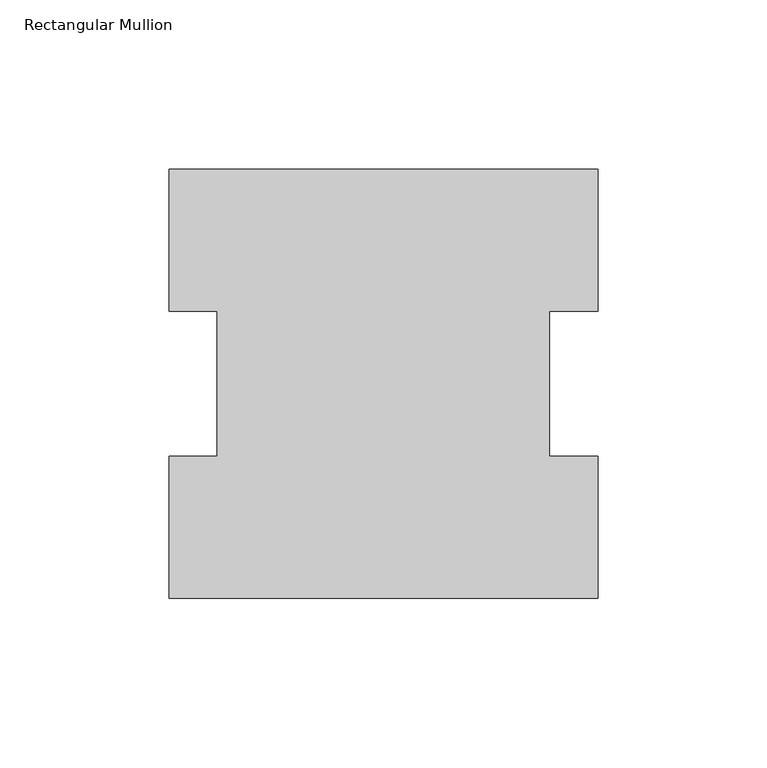
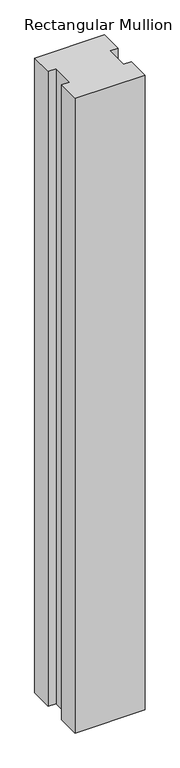
"""IFC4 building model written with IfcOpenShell, lengths in millimetres: member geometry, Rectangular Mullion."""

import ifcopenshell
import ifcopenshell.guid

model = None  # the IFC model being written
_history = None  # IfcOwnerHistory: only IFC2X3 demands one
_inside = {}  # id of a spatial element -> (the spatial element, [elements in it])
_under = {}  # id of a project, library or spatial element -> (it, [spatial elements below it])
_declared = {}  # id of a project -> (the project, [libraries it declares])
_typed = {}  # id of a type object -> (the type object, [elements of that type])
_made_of = {}  # id of a material, layer set ... -> (it, [elements and type objects made of it])


def new_model(schema):
    """Start an empty IFC model of exactly this schema.

    Asked for "IFC4X3", IfcOpenShell would pick the latest addendum, in which some entities
    have other attributes; the version numbers below select the first issue.
    IFC2X3 requires an IfcOwnerHistory on every rooted entity: one is made here for all.
    """
    global model, _history
    if schema == "IFC4X3":
        model = ifcopenshell.file(schema_version=(4, 3, 0, 0))
    else:
        model = ifcopenshell.file(schema=schema)
    _inside.clear()
    _under.clear()
    _declared.clear()
    _typed.clear()
    _made_of.clear()
    _history = None
    if model.schema == "IFC2X3":
        org = make("IfcOrganization", Name="unknown")
        user = make(
            "IfcPersonAndOrganization",
            ThePerson=make("IfcPerson", FamilyName="unknown"),
            TheOrganization=org,
        )
        app = make(
            "IfcApplication",
            ApplicationDeveloper=org,
            Version="unknown",
            ApplicationFullName="unknown",
            ApplicationIdentifier="unknown",
        )
        _history = make(
            "IfcOwnerHistory",
            OwningUser=user,
            OwningApplication=app,
            ChangeAction="ADDED",
            CreationDate=0,
        )
    return model


def make(cls, **values):
    """One entity of the class cls with the attributes given. An attribute that is None is left unset."""
    return model.create_entity(
        cls, **{name: value for name, value in values.items() if value is not None}
    )


def rooted(cls, **values):
    """An entity with a GlobalId (a new one), such as an element, a storey or a relation."""
    return make(cls, GlobalId=ifcopenshell.guid.new(), OwnerHistory=_history, **values)


def si_unit(unit_type, name, prefix=None):
    """IfcSIUnit, for example si_unit("LENGTHUNIT", "METRE", prefix="MILLI")."""
    return make("IfcSIUnit", UnitType=unit_type, Prefix=prefix, Name=name)


def assignment(units):
    """IfcUnitAssignment: the units of a project."""
    return None if units is None else make("IfcUnitAssignment", Units=units)


def point(xyz):
    """IfcCartesianPoint."""
    return None if xyz is None else make("IfcCartesianPoint", Coordinates=xyz)


def direction(xyz):
    """IfcDirection."""
    return None if xyz is None else make("IfcDirection", DirectionRatios=xyz)


def frame(location, z_axis=None, x_axis=None):
    """IfcAxis2Placement3D, a coordinate frame: its origin and axes. An axis left out is left unset."""
    return make(
        "IfcAxis2Placement3D",
        Location=point(location),
        Axis=direction(z_axis),
        RefDirection=direction(x_axis),
    )


def origin():
    """The frame at (0, 0, 0) with its axes left unset."""
    return frame((0.0, 0.0, 0.0))


def place(relative_to, where):
    """IfcLocalPlacement: puts the frame where relative to a parent placement (None: the world)."""
    return make(
        "IfcLocalPlacement", PlacementRelTo=relative_to, RelativePlacement=where
    )


def context(
    kind, dimensions, precision=None, world=None, true_north=None, identifier=None
):
    """IfcGeometricRepresentationContext, for example the 3D "Model" context."""
    return make(
        "IfcGeometricRepresentationContext",
        ContextIdentifier=identifier,
        ContextType=kind,
        CoordinateSpaceDimension=dimensions,
        Precision=precision,
        WorldCoordinateSystem=world,
        TrueNorth=true_north,
    )


def project(units=None, contexts=None):
    """IfcProject with its units and contexts."""
    return rooted(
        "IfcProject",
        Name="project",
        RepresentationContexts=contexts,
        UnitsInContext=assignment(units),
    )


def spatial(cls, under=None, at=None, **own):
    """A site, building, storey or space (cls), placed at a placement, below another one or the project."""
    s = rooted(cls, ObjectPlacement=at, **own)
    if under is not None:
        _under.setdefault(under.id(), (under, []))[1].append(s)
    return s


def polyline(points):
    """IfcPolyline through the points."""
    return make("IfcPolyline", Points=[point(p) for p in points])


def outline(outer, holes=None, kind="AREA"):
    """IfcArbitraryClosedProfileDef: a profile drawn as a closed curve; with holes, ...WithVoids."""
    if holes is None:
        return make("IfcArbitraryClosedProfileDef", ProfileType=kind, OuterCurve=outer)
    return make(
        "IfcArbitraryProfileDefWithVoids",
        ProfileType=kind,
        OuterCurve=outer,
        InnerCurves=holes,
    )


def extrude(swept, where, along, depth):
    """IfcExtrudedAreaSolid: the profile swept, set in the frame where, extruded along a direction by depth."""
    return make(
        "IfcExtrudedAreaSolid",
        SweptArea=swept,
        Position=where,
        ExtrudedDirection=direction(along),
        Depth=depth,
    )


def shape(context_of_items, identifier, shape_type, items):
    """IfcShapeRepresentation: the items that make up one representation, for example the "Body"."""
    return make(
        "IfcShapeRepresentation",
        ContextOfItems=context_of_items,
        RepresentationIdentifier=identifier,
        RepresentationType=shape_type,
        Items=items,
    )


def source(mapping_origin, context_of_items, identifier, shape_type, items):
    """IfcRepresentationMap: a shape defined once, which mapped items show again and again."""
    return make(
        "IfcRepresentationMap",
        MappingOrigin=mapping_origin,
        MappedRepresentation=shape(context_of_items, identifier, shape_type, items),
    )


def transform(
    local_origin,
    x_axis=None,
    y_axis=None,
    z_axis=None,
    scale=None,
    scale2=None,
    scale3=None,
    uniform=True,
):
    """IfcCartesianTransformationOperator3D, or its non-uniform kind. x_axis, y_axis, z_axis: its Axis1, 2, 3."""
    if uniform:
        return make(
            "IfcCartesianTransformationOperator3D",
            Axis1=direction(x_axis),
            Axis2=direction(y_axis),
            LocalOrigin=point(local_origin),
            Scale=scale,
            Axis3=direction(z_axis),
        )
    return make(
        "IfcCartesianTransformationOperator3DnonUniform",
        Axis1=direction(x_axis),
        Axis2=direction(y_axis),
        LocalOrigin=point(local_origin),
        Scale=scale,
        Axis3=direction(z_axis),
        Scale2=scale2,
        Scale3=scale3,
    )


def mapped(mapping_source, mapping_target):
    """IfcMappedItem: shows the shape of a source again, moved by a transform."""
    return make(
        "IfcMappedItem", MappingSource=mapping_source, MappingTarget=mapping_target
    )


def made_of(thing, what):
    """Note that an element or type object is made of a material, layer set ...; save() writes the relation."""
    if what is not None:
        _made_of.setdefault(what.id(), (what, []))[1].append(thing)
    return thing


def element(
    cls,
    number,
    at=None,
    inside=None,
    cuts=None,
    type_object=None,
    material=None,
    context=None,
    identifier="Body",
    shape_type=None,
    held_by="IfcProductDefinitionShape",
    body=None,
    shapes=None,
    **own,
):
    """One element of the class cls, such as IfcWall. Its Tag is "e" and its number.

    at: its placement. inside: the storey or other place that contains it. cuts: it is an
    opening in that element (IfcRelVoidsElement). A single representation is given by context,
    identifier, shape_type and body (its items); several are given by shapes. held_by: the class
    of the entity that holds the representations. save() writes the other relations.
    """
    e = rooted(cls, Tag="e%d" % number, ObjectPlacement=at, **own)
    if body is not None:
        shapes = [shape(context, identifier, shape_type, body)]
    if shapes is not None:
        e.Representation = make(held_by, Representations=shapes)
    if inside is not None:
        _inside.setdefault(inside.id(), (inside, []))[1].append(e)
    if cuts is not None:
        rooted(
            "IfcRelVoidsElement", RelatingBuildingElement=cuts, RelatedOpeningElement=e
        )
    if type_object is not None:
        _typed.setdefault(type_object.id(), (type_object, []))[1].append(e)
    return made_of(e, material)


def aggregate(whole, parts):
    """IfcRelAggregates: a whole, such as a stair, and the parts it consists of."""
    return rooted("IfcRelAggregates", RelatingObject=whole, RelatedObjects=parts)


def save(model, path):
    """Write the relations noted so far, then the file.

    IfcRelAggregates (storeys below a building ...), IfcRelContainedInSpatialStructure (elements
    in a storey), IfcRelDefinesByType, IfcRelAssociatesMaterial and IfcRelDeclares: one each for
    every whole, place, type object, material and project.
    """
    for whole, parts in _under.values():
        aggregate(whole, parts)
    for where, things in _inside.values():
        rooted(
            "IfcRelContainedInSpatialStructure",
            RelatedElements=things,
            RelatingStructure=where,
        )
    for kind, things in _typed.values():
        rooted("IfcRelDefinesByType", RelatedObjects=things, RelatingType=kind)
    for what, things in _made_of.values():
        rooted("IfcRelAssociatesMaterial", RelatedObjects=things, RelatingMaterial=what)
    for by, libraries in _declared.values():
        rooted("IfcRelDeclares", RelatingContext=by, RelatedDefinitions=libraries)
    model.write(path)


def rectangular_mullion_66744223(model_context):
    return source(origin(), model_context, "Body", "SweptSolid", [
        extrude(outline(polyline([(-63.5, 127.00635), (63.5, 127.00635), (63.5, 84.93125), (49.2125, 84.93125), (49.2125, 42.08145), (63.5, 42.08145), (63.5, 0.00635), (-63.5, 0.00635), (-63.5, 42.08145), (-49.2125, 42.08145), (-49.2125, 84.93125), (-63.5, 84.93125), (-63.5, 127.00635)])), frame((0.0, 0.0, -1219.2), z_axis=(0.0, 0.0, 1.0), x_axis=(1.0, 0.0, 0.0)), (0.0, 0.0, 1.0), 1219.2),
    ])


if __name__ == "__main__":
    model = new_model("IFC4")
    model_context = context("Model", 3, world=origin())
    ifc_project = project(units=[si_unit("LENGTHUNIT", "METRE", prefix="MILLI")], contexts=[model_context])
    site = spatial("IfcSite", under=ifc_project)
    building = spatial("IfcBuilding", under=site)
    placement = place(None, origin())
    rectangular_mullion_shape = rectangular_mullion_66744223(model_context)
    element("IfcMember", 1, ObjectType="Rectangular Mullion", at=placement, inside=building, context=model_context, shape_type="MappedRepresentation", body=[
        mapped(rectangular_mullion_shape, transform((0.0, 0.0, 0.0), x_axis=(1.0, 0.0, 0.0), y_axis=(0.0, 1.0, 0.0), z_axis=(0.0, 0.0, 1.0))),
    ])
    save(model, "model.ifc")
